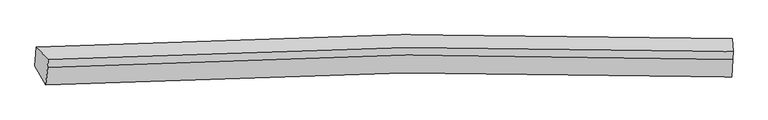
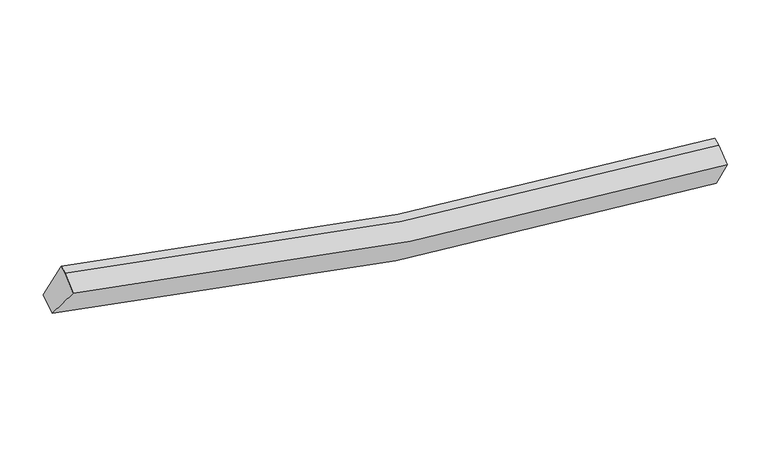
"""IFC4 building model written with IfcOpenShell, lengths in millimetres: proxy geometry."""

from ifc_helpers import new_model, si_unit, frame, origin, place, context, project, spatial, source, transform, mapped, element, save
from ifc_brep_helpers import plane_surface, spline_curve, spline_surface, advanced_brep


def generic_models_1b89f4eb(model_context):
    return source(origin(), model_context, "Body", "AdvancedBrep", [
        advanced_brep(
        [(-5924.8359833, -2542.8513925, 4313.3493679), (-6120.4447909, -2191.8377285, 3762.2518158), (6633.0038288, -2039.6920541, 1827.1471724), (6639.7936207, -2393.7314142, 2410.0639248), (-5886.8763174, -2220.7994332, 4503.7733384), (6656.3065043, -2072.023125, 2604.102041), (-5880.6491302, -2077.628346, 4554.3404033), (6662.5336915, -1928.8520378, 2654.6691059), (-6094.6101191, -1844.0534268, 3919.3658391), (6649.2570794, -1692.0622132, 1985.87846)],
        [
            (0, 1),
            (1, 2, spline_curve(3, [(-6120.4447909, -2191.8377285, 3762.2518158), (-3911.832788724, -2064.994597515, 3143.639808264), (-1684.347115168, -1990.981815139, 2671.833145249), (2570.586633789, -1950.859180162, 2056.233027626), (4594.250499744, -1974.156738109, 1883.004809601), (6633.0038288, -2039.6920541, 1827.1471724)], [4, 2, 4], [0.0, 22.23838506567266, 42.122759809544085])),
            (2, 3),
            (3, 0, spline_curve(3, [(6639.7936207, -2393.7314142, 2410.0639248), (4622.738234043, -2329.259545059, 2466.260471946), (2624.555010697, -2306.29867875, 2637.304101053), (-1568.387710272, -2345.595006993, 3242.93067383), (-3758.414354689, -2418.262533252, 3706.315525738), (-5924.8359833, -2542.8513925, 4313.3493679)], [4, 2, 4], [0.0, 19.884374743871426, 42.122759809544085])),
            (4, 0),
            (3, 5),
            (5, 4, spline_curve(3, [(6656.3065043, -2072.023125, 2604.102041), (4642.39491013, -2002.781872122, 2665.382401589), (2647.464484518, -1977.277518658, 2838.841533165), (-1538.356645165, -2015.901070073, 3443.932562954), (-3724.487160606, -2090.997525908, 3903.697196604), (-5886.8763174, -2220.7994332, 4503.7733384)], [4, 2, 4], [0.0, 19.71809656357322, 41.77051861813181])),
            (6, 4),
            (5, 7),
            (7, 6, spline_curve(3, [(6662.5336915, -1928.8520378, 2654.6691059), (4648.622097794, -1859.610785238, 2715.949466606), (2653.691672155, -1834.10643143, 2889.408598162), (-1532.129458454, -1872.729982904, 3494.499627745), (-3718.259973182, -1947.826438809, 3954.26426163), (-5880.6491302, -2077.628346, 4554.3404033)], [4, 2, 4], [0.0, 19.69735742569964, 41.72658514098915])),
            (8, 6),
            (7, 9),
            (9, 8, spline_curve(3, [(6649.2570794, -1692.0622132, 1985.87846), (4613.543225419, -1624.865002136, 2055.631016338), (2592.195729423, -1600.678586101, 2236.07481954), (-1659.362869133, -1640.555867958, 2852.810925077), (-3885.971105695, -1715.406021468, 3316.862913801), (-6094.6101191, -1844.0534268, 3919.3658391)], [4, 2, 4], [0.0, 19.85366426602933, 42.05770319607538])),
            (1, 8),
            (9, 2),
        ],
        [
            spline_surface(3, 3, [[(-5924.8359833, -2542.8513925, 4313.3493679), (-3758.41435502, -2418.262533282, 3706.31552586), (-1568.387710202, -2345.595007262, 3242.930673761), (2624.555010634, -2306.29867851, 2637.304101114), (4622.73823378, -2329.259545084, 2466.260472236), (6639.7936207, -2393.7314142, 2410.0639248)], [(-5990.038919155, -2425.846837848, 4129.650183838), (-3809.553832843, -2300.506554788, 3518.756953195), (-1607.040845117, -2227.390609861, 3052.564830849), (2606.565551624, -2187.818845743, 2443.613743346), (4613.242322489, -2210.891942763, 2271.841918032), (6637.530356726, -2275.71829417, 2215.758340693)], [(-6055.241855045, -2308.842283152, 3945.950999862), (-3860.693310701, -2182.75057625, 3331.198380616), (-1645.693980039, -2109.186212473, 2862.198987947), (2588.576092607, -2069.339012988, 2249.923385586), (4603.746411221, -2092.524340435, 2077.423363751), (6635.267092774, -2157.70517413, 2021.452756507)], [(-6120.4447909, -2191.8377285, 3762.2518158), (-3911.832788524, -2064.994597756, 3143.639807952), (-1684.347114954, -1990.981815073, 2671.833145035), (2570.586633597, -1950.859180221, 2056.233027817), (4594.25049993, -1974.156738114, 1883.004809547), (6633.0038288, -2039.6920541, 1827.1471724)]], [4, 4], [4, 2, 4], [0.0, 2.2373134389320364], [0.0, 22.23838506567266, 42.122759809544085]),
            spline_surface(3, 3, [[(-5886.8763174, -2220.7994332, 4503.7733384), (-3724.487160289, -2090.997525885, 3903.69719666), (-1538.356645379, -2015.90106978, 3443.932562633), (2647.46448471, -1977.27751892, 2838.841533452), (4642.394910331, -2002.781872292, 2665.382401647), (6656.3065043, -2072.023125, 2604.102041)], [(-5899.529539375, -2328.1500863, 4440.298681589), (-3735.796225208, -2200.085861684, 3837.903306416), (-1548.367000316, -2125.799048948, 3376.931933001), (2639.827993355, -2086.951238791, 2771.662389331), (4635.842684806, -2111.607763229, 2599.008425156), (6650.802209759, -2179.259221406, 2539.422668912)], [(-5912.182761325, -2435.5007394, 4376.824024711), (-3747.105290101, -2309.174197483, 3772.109416104), (-1558.377355265, -2235.697028094, 3309.931303393), (2632.191501988, -2196.624958639, 2704.483245235), (4629.290459305, -2220.433654147, 2532.634448728), (6645.297915241, -2286.495317794, 2474.743296888)], [(-5924.8359833, -2542.8513925, 4313.3493679), (-3758.41435502, -2418.262533282, 3706.31552586), (-1568.387710202, -2345.595007262, 3242.930673761), (2624.555010634, -2306.29867851, 2637.304101114), (4622.73823378, -2329.259545084, 2466.260472236), (6639.7936207, -2393.7314142, 2410.0639248)]], [4, 4], [4, 2, 4], [0.0, 1.2693664790641987], [0.0, 22.05242205455859, 41.77051861813181]),
            spline_surface(3, 3, [[(-5880.6491302, -2077.628346, 4554.3404033), (-3718.259973089, -1947.826438685, 3954.26426156), (-1532.129458179, -1872.72998258, 3494.499627533), (2653.69167191, -1834.10643172, 2889.408598352), (4648.622097531, -1859.610785092, 2715.949466547), (6662.5336915, -1928.8520378, 2654.6691059)], [(-5882.724859259, -2125.352041725, 4537.484715002), (-3720.335702148, -1995.55013441, 3937.408573262), (-1534.205187238, -1920.453678305, 3477.643939235), (2651.615942851, -1881.830127446, 2872.552910054), (4646.546368472, -1907.334480817, 2699.09377825), (6660.457962441, -1976.575733525, 2637.813417602)], [(-5884.800588341, -2173.075737475, 4520.629026698), (-3722.41143123, -2043.27383016, 3920.552884958), (-1536.28091632, -1968.177374055, 3460.788250931), (2649.540213769, -1929.553823195, 2855.697221749), (4644.47063939, -1955.058176567, 2682.238089945), (6658.382233359, -2024.299429275, 2620.957729298)], [(-5886.8763174, -2220.7994332, 4503.7733384), (-3724.487160289, -2090.997525885, 3903.69719666), (-1538.356645379, -2015.90106978, 3443.932562633), (2647.46448471, -1977.27751892, 2838.841533452), (4642.394910331, -2002.781872292, 2665.382401647), (6656.3065043, -2072.023125, 2604.102041)]], [4, 4], [4, 2, 4], [0.0, 0.4985772053029863], [0.0, 22.02922771528951, 41.72658514098915]),
            spline_surface(3, 3, [[(-6094.6101191, -1844.0534268, 3919.3658391), (-3885.971105647, -1715.406021718, 3316.862914109), (-1659.36286877, -1640.555867974, 2852.810924719), (2592.195729098, -1600.678586086, 2236.07481986), (4613.543225089, -1624.865001973, 2055.631016228), (6649.2570794, -1692.0622132, 1985.87846)], [(-6023.289789487, -1921.911733195, 4131.024027149), (-3830.067394815, -1792.879494036, 3529.330029908), (-1616.951731894, -1717.947239518, 3066.707158992), (2612.694376715, -1678.487867973, 2453.852746025), (4625.236182584, -1703.113596345, 2275.737166338), (6653.682616781, -1770.992154733, 2208.808675304)], [(-5951.969459813, -1999.770039605, 4342.682215251), (-3774.163683921, -1870.352966368, 3741.797145761), (-1574.540595056, -1795.338611036, 3280.603393261), (2633.193024293, -1756.297149834, 2671.630672187), (4636.929140036, -1781.362190719, 2495.843316437), (6658.108154119, -1849.922096267, 2431.738890596)], [(-5880.6491302, -2077.628346, 4554.3404033), (-3718.259973089, -1947.826438685, 3954.26426156), (-1532.129458179, -1872.72998258, 3494.499627533), (2653.69167191, -1834.10643172, 2889.408598352), (4648.622097531, -1859.610785092, 2715.949466547), (6662.5336915, -1928.8520378, 2654.6691059)]], [4, 4], [4, 2, 4], [0.0, 2.2783229316330544], [0.0, 22.20403893004605, 42.05770319607538]),
            spline_surface(3, 3, [[(-6120.4447909, -2191.8377285, 3762.2518158), (-3911.832788524, -2064.994597756, 3143.639807952), (-1684.347114954, -1990.981815073, 2671.833145035), (2570.586633597, -1950.859180221, 2056.233027817), (4594.25049993, -1974.156738114, 1883.004809547), (6633.0038288, -2039.6920541, 1827.1471724)], [(-6111.833233624, -2075.909627932, 3814.623156922), (-3903.212227555, -1948.465072409, 3201.380843359), (-1676.01903292, -1874.173166035, 2732.159071605), (2577.789665404, -1834.132315505, 2116.180291839), (4600.68140831, -1857.7261594, 1940.54687843), (6638.421578994, -1923.815440466, 1880.057601589)], [(-6103.221676376, -1959.981527368, 3866.994497978), (-3894.591666616, -1831.935547066, 3259.121878701), (-1667.690950804, -1757.364517011, 2792.48499815), (2584.992697292, -1717.405450802, 2176.127555838), (4607.112316709, -1741.295580687, 1998.088947345), (6643.839329206, -1807.938826834, 1932.968030811)], [(-6094.6101191, -1844.0534268, 3919.3658391), (-3885.971105647, -1715.406021718, 3316.862914109), (-1659.36286877, -1640.555867974, 2852.810924719), (2592.195729098, -1600.678586086, 2236.07481986), (4613.543225089, -1624.865001973, 2055.631016228), (6649.2570794, -1692.0622132, 1985.87846)]], [4, 4], [4, 2, 4], [0.0, 1.2950500403544674], [0.0, 22.39350400357417, 42.41657780684205]),
            plane_surface(frame((6648.1789449, -2025.2721688, 2296.3721408), z_axis=(0.9989847072459336, -0.032392160525816546, -0.03130978481603562), x_axis=(-0.04097741314061186, -0.9421237265213814, -0.3327517626366073))),
            plane_surface(frame((-5981.4832682, -2175.4340654, 4210.6161529), z_axis=(-0.9525775443067973, -0.06366461654512219, 0.2975614872301088), x_axis=(0.28679858011720427, -0.5146507546233688, 0.808010628153091))),
        ],
        [
            (0, [[1, 2, 3, 4]]),
            (1, [[5, -4, 6, 7]]),
            (2, [[8, -7, 9, 10]]),
            (3, [[11, -10, 12, 13]]),
            (4, [[14, -13, 15, -2]]),
            (5, [[-9, -6, -3, -15, -12]]),
            (6, [[-1, -5, -8, -11, -14]]),
        ],
    ),
    ])


if __name__ == "__main__":
    model = new_model("IFC4")
    model_context = context("Model", 3, world=origin())
    ifc_project = project(units=[si_unit("LENGTHUNIT", "METRE", prefix="MILLI")], contexts=[model_context])
    site = spatial("IfcSite", under=ifc_project)
    building = spatial("IfcBuilding", under=site)
    placement = place(None, origin())
    generic_models_shape = generic_models_1b89f4eb(model_context)
    element("IfcBuildingElementProxy", 1, Name="Generic Models", at=placement, inside=building, context=model_context, shape_type="MappedRepresentation", body=[
        mapped(generic_models_shape, transform((0.0, 0.0, 0.0), x_axis=(1.0, 0.0, 0.0), y_axis=(0.0, 1.0, 0.0), z_axis=(0.0, 0.0, 1.0))),
    ])
    save(model, "model.ifc")
